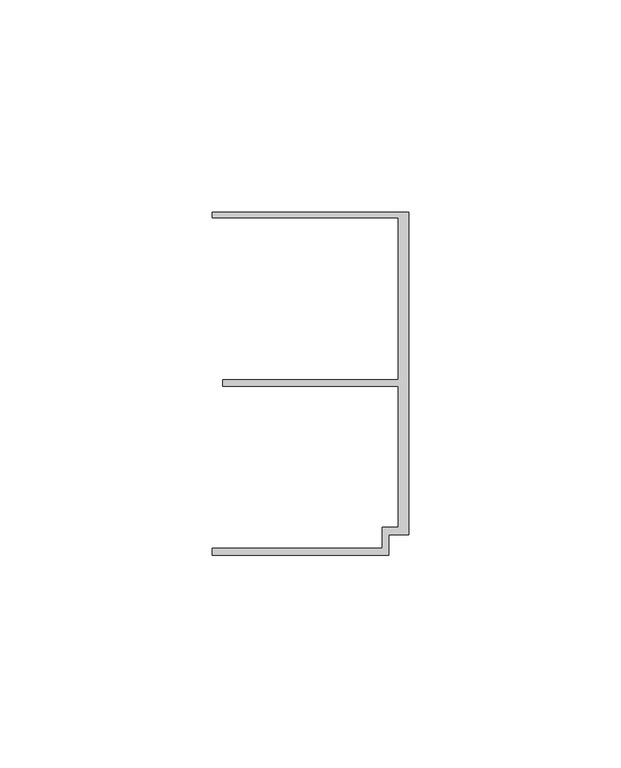
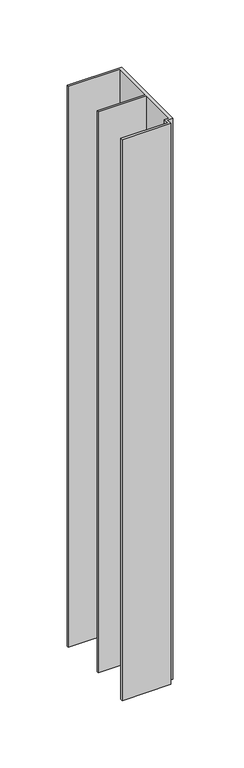
"""IFC4 building model written with IfcOpenShell, lengths in millimetres: member geometry."""

from ifc_helpers import new_model, si_unit, frame, origin, place, context, project, spatial, polyline, outline, extrude, source, transform, mapped, element, save


def member_9c02649d(model_context):
    return source(origin(), model_context, "Body", "SweptSolid", [
        extrude(outline(polyline([(-6.2, -33.95), (-2.4, -33.95), (-2.4, -0.75), (-43.8, -0.75), (-43.8, 0.75), (-2.4, 0.75), (-2.4, 38.95), (-46.3, 38.95), (-46.3, 40.25), (0.0, 40.25), (0.0, -35.75), (-4.6999992, -35.75), (-4.6999992, -40.65), (-46.3, -40.65), (-46.3, -38.95), (-6.2, -38.95), (-6.2, -33.95)])), frame((0.0, 0.0, -507.6602632), z_axis=(0.0, 0.0, 1.0), x_axis=(1.0, 0.0, 0.0)), (0.0, 0.0, 1.0), 507.6602632),
    ])


if __name__ == "__main__":
    model = new_model("IFC4")
    model_context = context("Model", 3, world=origin())
    ifc_project = project(units=[si_unit("LENGTHUNIT", "METRE", prefix="MILLI")], contexts=[model_context])
    site = spatial("IfcSite", under=ifc_project)
    building = spatial("IfcBuilding", under=site)
    placement = place(None, origin())
    member_shape = member_9c02649d(model_context)
    element("IfcMember", 1, at=placement, inside=building, context=model_context, shape_type="MappedRepresentation", body=[
        mapped(member_shape, transform((0.0, 0.0, 0.0), x_axis=(1.0, 0.0, 0.0), y_axis=(0.0, 1.0, 0.0), z_axis=(0.0, 0.0, 1.0))),
    ])
    save(model, "model.ifc")
